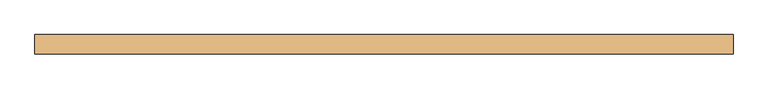
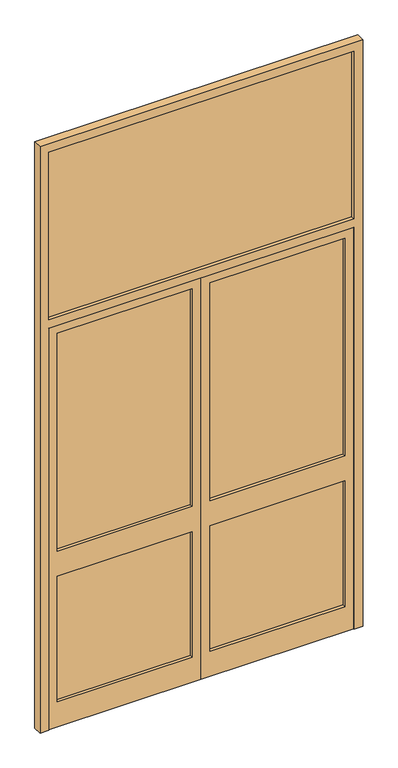
"""IFC4 building model written with IfcOpenShell, lengths in millimetres: door geometry."""

from ifc_helpers import new_model, si_unit, frame, origin, place, context, project, spatial, polyline, outline, extrude, source, transform, mapped, element, save


def door_30d36480(model_context):
    return source(origin(), model_context, "Body", "SweptSolid", [
        extrude(outline(polyline([(2400.0, 2200.0), (2400.0, 1337.5), (0.0, 1337.5), (0.0, 2200.0), (2400.0, 2200.0)]), holes=[polyline([(150.0, 1387.5), (900.0, 1387.5), (900.0, 2150.0), (150.0, 2150.0), (150.0, 1387.5)]), polyline([(2350.0, 1387.5), (2350.0, 2150.0), (1050.0, 2150.0), (1050.0, 1387.5), (2350.0, 1387.5)])]), frame((0.0, 77.5, 0.0), z_axis=(0.0, 1.0, 0.0), x_axis=(0.0, 0.0, 1.0)), (0.0, 0.0, 1.0), 45.0),
        extrude(outline(polyline([(2400.0, 475.0), (0.0, 475.0), (0.0, 1337.5), (2400.0, 1337.5), (2400.0, 475.0)]), holes=[polyline([(150.0, 1287.5), (150.0, 525.0), (900.0, 525.0), (900.0, 1287.5), (150.0, 1287.5)]), polyline([(2350.0, 1287.5), (1050.0, 1287.5), (1050.0, 525.0), (2350.0, 525.0), (2350.0, 1287.5)])]), frame((0.0, 77.5, 0.0), z_axis=(0.0, 1.0, 0.0), x_axis=(0.0, 0.0, 1.0)), (0.0, 0.0, 1.0), 45.0),
        extrude(outline(polyline([(3500.0, 425.0), (0.0, 425.0), (0.0, 475.0), (2400.0, 475.0), (2400.0, 2200.0), (0.0, 2200.0), (0.0, 2250.0), (3500.0, 2250.0), (3500.0, 425.0)]), holes=[polyline([(2450.0, 475.0), (3450.0, 475.0), (3450.0, 2200.0), (2450.0, 2200.0), (2450.0, 475.0)])]), frame((0.0, 75.0, 0.0), z_axis=(0.0, 1.0, 0.0), x_axis=(0.0, 0.0, 1.0)), (0.0, 0.0, 1.0), 50.0),
        extrude(outline(polyline([(1287.5, 105.0), (1287.5, 95.0), (525.0, 95.0), (525.0, 105.0), (1287.5, 105.0)])), frame((0.0, 0.0, 150.0), z_axis=(0.0, 0.0, 1.0), x_axis=(1.0, 0.0, 0.0)), (0.0, 0.0, 1.0), 750.0),
        extrude(outline(polyline([(2150.0, 105.0), (2150.0, 95.0), (1387.5, 95.0), (1387.5, 105.0), (2150.0, 105.0)])), frame((0.0, 0.0, 150.0), z_axis=(0.0, 0.0, 1.0), x_axis=(1.0, 0.0, 0.0)), (0.0, 0.0, 1.0), 750.0),
        extrude(outline(polyline([(2200.0, 105.0), (2200.0, 95.0), (475.0, 95.0), (475.0, 105.0), (2200.0, 105.0)])), frame((0.0, 0.0, 2450.0), z_axis=(0.0, 0.0, 1.0), x_axis=(1.0, 0.0, 0.0)), (0.0, 0.0, 1.0), 1000.0),
        extrude(outline(polyline([(1287.5, 105.0), (1287.5, 95.0), (525.0, 95.0), (525.0, 105.0), (1287.5, 105.0)])), frame((0.0, 0.0, 1050.0), z_axis=(0.0, 0.0, 1.0), x_axis=(1.0, 0.0, 0.0)), (0.0, 0.0, 1.0), 1300.0),
        extrude(outline(polyline([(2150.0, 105.0), (2150.0, 95.0), (1387.5, 95.0), (1387.5, 105.0), (2150.0, 105.0)])), frame((0.0, 0.0, 1050.0), z_axis=(0.0, 0.0, 1.0), x_axis=(1.0, 0.0, 0.0)), (0.0, 0.0, 1.0), 1300.0),
    ])


if __name__ == "__main__":
    model = new_model("IFC4")
    model_context = context("Model", 3, world=origin())
    ifc_project = project(units=[si_unit("LENGTHUNIT", "METRE", prefix="MILLI")], contexts=[model_context])
    site = spatial("IfcSite", under=ifc_project)
    building = spatial("IfcBuilding", under=site)
    placement = place(None, origin())
    door_shape = door_30d36480(model_context)
    element("IfcDoor", 1, at=placement, inside=building, context=model_context, shape_type="MappedRepresentation", body=[
        mapped(door_shape, transform((0.0, 0.0, 0.0), x_axis=(1.0, 0.0, 0.0), y_axis=(0.0, 1.0, 0.0), z_axis=(0.0, 0.0, 1.0))),
    ])
    save(model, "model.ifc")
